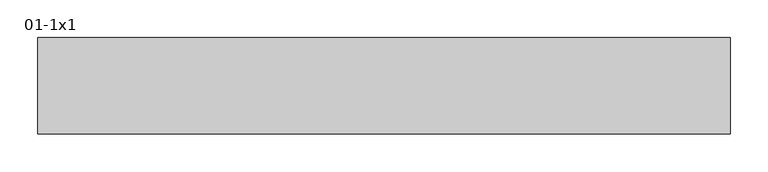
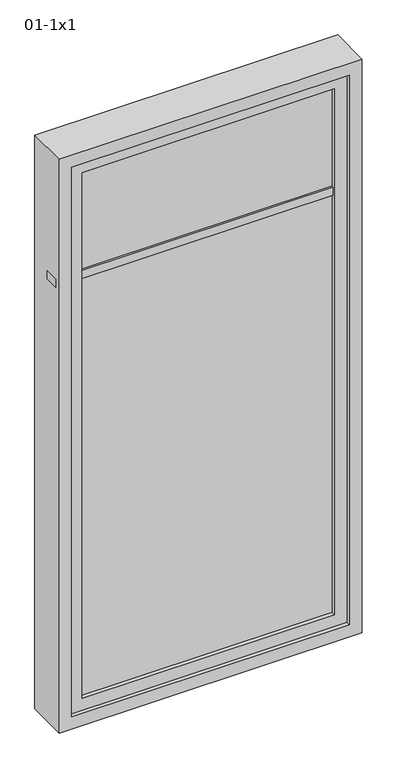
"""IFC4 building model written with IfcOpenShell, lengths in millimetres: proxy geometry, 01-1x1."""

from ifc_helpers import new_model, si_unit, frame, origin, place, context, project, spatial, polyline, outline, extrude, faceted_brep, source, transform, mapped, element, save


def proxy_01_1x1_794c672c(model_context):
    return source(origin(), model_context, "Body", "SolidModel", [
        extrude(outline(polyline([(457.2, 63.5), (457.2, 19.05), (-457.2, 19.05), (-457.2, 63.5), (457.2, 63.5)])), frame((0.0, 0.0, 1409.7), z_axis=(0.0, 0.0, 1.0), x_axis=(1.0, 0.0, 0.0)), (0.0, 0.0, 1.0), 25.4),
        extrude(outline(polyline([(-400.05, 57.15), (400.05, 57.15), (400.05, 25.4), (-400.05, 25.4), (-400.05, 57.15)])), frame((0.0, 0.0, 57.15), z_axis=(0.0, 0.0, 1.0), x_axis=(1.0, 0.0, 0.0)), (0.0, 0.0, 1.0), 1714.5),
        faceted_brep([(381.0, 12.7, 1752.6), (381.0, 31.75, 1752.6), (381.0, 31.75, 76.2), (381.0, 12.7, 76.2), (400.05, 31.75, 57.15), (-400.05, 31.75, 57.15), (-400.05, 31.75, 1771.65), (400.05, 31.75, 1771.65), (-381.0, 31.75, 1752.6), (-381.0, 31.75, 76.2), (-381.0, 12.7, 76.2), (419.1, 12.7, 1790.7), (-419.1, 12.7, 1790.7), (-419.1, 12.7, 38.1), (419.1, 12.7, 38.1), (-381.0, 12.7, 1752.6), (400.05, 63.5, 1771.65), (400.05, 63.5, 57.15), (-400.05, 63.5, 1771.65), (-400.05, 63.5, 57.15), (381.0, 63.5, 76.2), (-381.0, 63.5, 76.2), (-381.0, 63.5, 1752.6), (381.0, 63.5, 1752.6), (381.0, 82.55, 1752.6), (381.0, 82.55, 76.2), (406.4, 82.55, 50.8), (-406.4, 82.55, 50.8), (-406.4, 82.55, 1778.0), (406.4, 82.55, 1778.0), (-381.0, 82.55, 1752.6), (-381.0, 82.55, 76.2), (406.4, 127.0, 1778.0), (406.4, 127.0, 50.8), (457.2, 127.0, 0.0), (-457.2, 127.0, 0.0), (-457.2, 127.0, 1828.8), (457.2, 127.0, 1828.8), (-406.4, 127.0, 1778.0), (-406.4, 127.0, 50.8), (457.2, 0.0, 1828.8), (457.2, 0.0, 0.0), (-457.2, 0.0, 1828.8), (-457.2, 0.0, 0.0), (419.1, 0.0, 38.1), (-419.1, 0.0, 38.1), (-419.1, 0.0, 1790.7), (419.1, 0.0, 1790.7)], [[[0, 1, 2, 3]], [[4, 5, 6, 7], [1, 8, 9, 2]], [[3, 2, 9, 10]], [[11, 12, 13, 14], [3, 10, 15, 0]], [[7, 16, 17, 4]], [[16, 18, 19, 17], [20, 21, 22, 23]], [[4, 17, 19, 5]], [[23, 24, 25, 20]], [[26, 27, 28, 29], [24, 30, 31, 25]], [[20, 25, 31, 21]], [[29, 32, 33, 26]], [[34, 35, 36, 37], [32, 38, 39, 33]], [[26, 33, 39, 27]], [[37, 40, 41, 34]], [[40, 42, 43, 41], [44, 45, 46, 47]], [[34, 41, 43, 35]], [[47, 11, 14, 44]], [[44, 14, 13, 45]], [[10, 9, 8, 15]], [[5, 19, 18, 6]], [[21, 31, 30, 22]], [[27, 39, 38, 28]], [[35, 43, 42, 36]], [[45, 13, 12, 46]], [[15, 8, 1, 0]], [[6, 18, 16, 7]], [[22, 30, 24, 23]], [[28, 38, 32, 29]], [[36, 42, 40, 37]], [[46, 12, 11, 47]]]),
    ])


if __name__ == "__main__":
    model = new_model("IFC4")
    model_context = context("Model", 3, world=origin())
    ifc_project = project(units=[si_unit("LENGTHUNIT", "METRE", prefix="MILLI")], contexts=[model_context])
    site = spatial("IfcSite", under=ifc_project)
    building = spatial("IfcBuilding", under=site)
    placement = place(None, origin())
    proxy_01_1x1_shape = proxy_01_1x1_794c672c(model_context)
    element("IfcBuildingElementProxy", 1, Name="01-1x1", ObjectType="01-1x1", at=placement, inside=building, context=model_context, shape_type="MappedRepresentation", body=[
        mapped(proxy_01_1x1_shape, transform((0.0, 0.0, 0.0), x_axis=(1.0, 0.0, 0.0), y_axis=(0.0, 1.0, 0.0), z_axis=(0.0, 0.0, 1.0))),
    ])
    save(model, "model.ifc")
